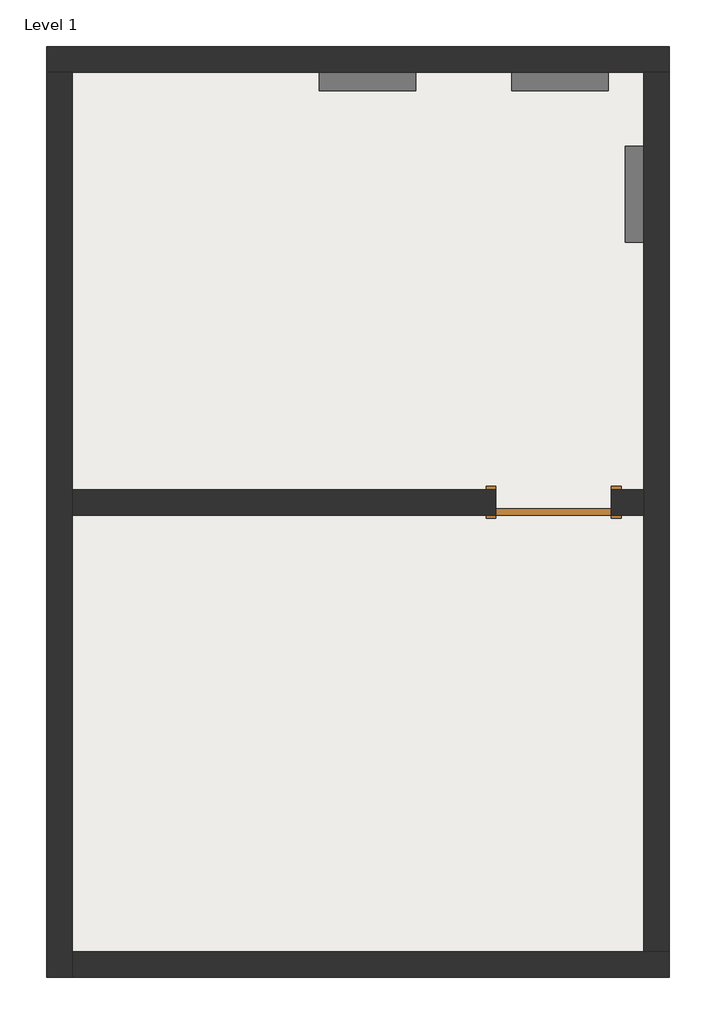
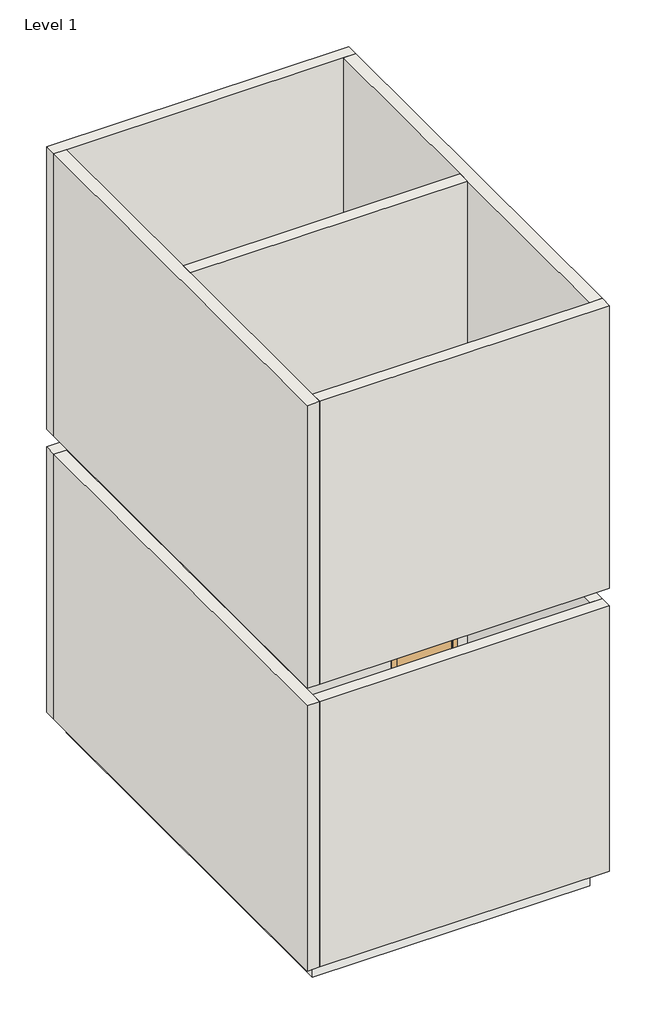
# One storey: 5 walls, 3 proxies, 1 door, 1 slab.
"""IFC4 building model written with IfcOpenShell, lengths in millimetres."""

import ifcopenshell
import ifcopenshell.guid

model = None  # the IFC model being written
_history = None  # IfcOwnerHistory: only IFC2X3 demands one
_inside = {}  # id of a spatial element -> (the spatial element, [elements in it])
_under = {}  # id of a project, library or spatial element -> (it, [spatial elements below it])
_declared = {}  # id of a project -> (the project, [libraries it declares])
_typed = {}  # id of a type object -> (the type object, [elements of that type])
_made_of = {}  # id of a material, layer set ... -> (it, [elements and type objects made of it])


def new_model(schema):
    """Start an empty IFC model of exactly this schema.

    Asked for "IFC4X3", IfcOpenShell would pick the latest addendum, in which some entities
    have other attributes; the version numbers below select the first issue.
    IFC2X3 requires an IfcOwnerHistory on every rooted entity: one is made here for all.
    """
    global model, _history
    if schema == "IFC4X3":
        model = ifcopenshell.file(schema_version=(4, 3, 0, 0))
    else:
        model = ifcopenshell.file(schema=schema)
    _inside.clear()
    _under.clear()
    _declared.clear()
    _typed.clear()
    _made_of.clear()
    _history = None
    if model.schema == "IFC2X3":
        org = make("IfcOrganization", Name="unknown")
        user = make(
            "IfcPersonAndOrganization",
            ThePerson=make("IfcPerson", FamilyName="unknown"),
            TheOrganization=org,
        )
        app = make(
            "IfcApplication",
            ApplicationDeveloper=org,
            Version="unknown",
            ApplicationFullName="unknown",
            ApplicationIdentifier="unknown",
        )
        _history = make(
            "IfcOwnerHistory",
            OwningUser=user,
            OwningApplication=app,
            ChangeAction="ADDED",
            CreationDate=0,
        )
    return model


def make(cls, **values):
    """One entity of the class cls with the attributes given. An attribute that is None is left unset."""
    return model.create_entity(
        cls, **{name: value for name, value in values.items() if value is not None}
    )


def rooted(cls, **values):
    """An entity with a GlobalId (a new one), such as an element, a storey or a relation."""
    return make(cls, GlobalId=ifcopenshell.guid.new(), OwnerHistory=_history, **values)


def si_unit(unit_type, name, prefix=None):
    """IfcSIUnit, for example si_unit("LENGTHUNIT", "METRE", prefix="MILLI")."""
    return make("IfcSIUnit", UnitType=unit_type, Prefix=prefix, Name=name)


def assignment(units):
    """IfcUnitAssignment: the units of a project."""
    return None if units is None else make("IfcUnitAssignment", Units=units)


def point(xyz):
    """IfcCartesianPoint."""
    return None if xyz is None else make("IfcCartesianPoint", Coordinates=xyz)


def direction(xyz):
    """IfcDirection."""
    return None if xyz is None else make("IfcDirection", DirectionRatios=xyz)


def frame(location, z_axis=None, x_axis=None):
    """IfcAxis2Placement3D, a coordinate frame: its origin and axes. An axis left out is left unset."""
    return make(
        "IfcAxis2Placement3D",
        Location=point(location),
        Axis=direction(z_axis),
        RefDirection=direction(x_axis),
    )


def origin():
    """The frame at (0, 0, 0) with its axes left unset."""
    return frame((0.0, 0.0, 0.0))


def origin_with_axes():
    """The frame at (0, 0, 0) with the z axis (0, 0, 1) and the x axis (1, 0, 0) written out."""
    return frame((0.0, 0.0, 0.0), z_axis=(0.0, 0.0, 1.0), x_axis=(1.0, 0.0, 0.0))


def place(relative_to, where):
    """IfcLocalPlacement: puts the frame where relative to a parent placement (None: the world)."""
    return make(
        "IfcLocalPlacement", PlacementRelTo=relative_to, RelativePlacement=where
    )


def context(
    kind, dimensions, precision=None, world=None, true_north=None, identifier=None
):
    """IfcGeometricRepresentationContext, for example the 3D "Model" context."""
    return make(
        "IfcGeometricRepresentationContext",
        ContextIdentifier=identifier,
        ContextType=kind,
        CoordinateSpaceDimension=dimensions,
        Precision=precision,
        WorldCoordinateSystem=world,
        TrueNorth=true_north,
    )


def project(units=None, contexts=None):
    """IfcProject with its units and contexts."""
    return rooted(
        "IfcProject",
        Name="project",
        RepresentationContexts=contexts,
        UnitsInContext=assignment(units),
    )


def spatial(cls, under=None, at=None, **own):
    """A site, building, storey or space (cls), placed at a placement, below another one or the project."""
    s = rooted(cls, ObjectPlacement=at, **own)
    if under is not None:
        _under.setdefault(under.id(), (under, []))[1].append(s)
    return s


def polyline(points):
    """IfcPolyline through the points."""
    return make("IfcPolyline", Points=[point(p) for p in points])


def outline(outer, holes=None, kind="AREA"):
    """IfcArbitraryClosedProfileDef: a profile drawn as a closed curve; with holes, ...WithVoids."""
    if holes is None:
        return make("IfcArbitraryClosedProfileDef", ProfileType=kind, OuterCurve=outer)
    return make(
        "IfcArbitraryProfileDefWithVoids",
        ProfileType=kind,
        OuterCurve=outer,
        InnerCurves=holes,
    )


def extrude(swept, where, along, depth):
    """IfcExtrudedAreaSolid: the profile swept, set in the frame where, extruded along a direction by depth."""
    return make(
        "IfcExtrudedAreaSolid",
        SweptArea=swept,
        Position=where,
        ExtrudedDirection=direction(along),
        Depth=depth,
    )


def faces_of(points, faces, orient=None, outer=None):
    """IfcFace entities. A face is a list of loops; a loop is a list of indices into points, from 0.

    orient and outer hold one flag for each loop. By default every Orientation is true, the
    first loop of a face is its IfcFaceOuterBound and the others are IfcFaceBound.
    """
    made = []
    for i, loops in enumerate(faces):
        bounds = []
        for j, loop in enumerate(loops):
            is_outer = j == 0 if outer is None else outer[i][j]
            bounds.append(
                make(
                    "IfcFaceOuterBound" if is_outer else "IfcFaceBound",
                    Bound=make("IfcPolyLoop", Polygon=[points[k] for k in loop]),
                    Orientation=True if orient is None else orient[i][j],
                )
            )
        made.append(make("IfcFace", Bounds=bounds))
    return made


def faceted_brep(points, faces, orient=None, outer=None, voids=None):
    """IfcFacetedBrep: a solid bounded by flat faces; with voids (closed shells), ...WithVoids."""
    shared = [point(p) for p in points]
    hull = make("IfcClosedShell", CfsFaces=faces_of(shared, faces, orient, outer))
    if voids is None:
        return make("IfcFacetedBrep", Outer=hull)
    return make(
        "IfcFacetedBrepWithVoids",
        Outer=hull,
        Voids=[
            make(cls, CfsFaces=faces_of(shared, fs, o, b)) for cls, fs, o, b in voids
        ],
    )


def shape(context_of_items, identifier, shape_type, items):
    """IfcShapeRepresentation: the items that make up one representation, for example the "Body"."""
    return make(
        "IfcShapeRepresentation",
        ContextOfItems=context_of_items,
        RepresentationIdentifier=identifier,
        RepresentationType=shape_type,
        Items=items,
    )


def source(mapping_origin, context_of_items, identifier, shape_type, items):
    """IfcRepresentationMap: a shape defined once, which mapped items show again and again."""
    return make(
        "IfcRepresentationMap",
        MappingOrigin=mapping_origin,
        MappedRepresentation=shape(context_of_items, identifier, shape_type, items),
    )


def transform(
    local_origin,
    x_axis=None,
    y_axis=None,
    z_axis=None,
    scale=None,
    scale2=None,
    scale3=None,
    uniform=True,
):
    """IfcCartesianTransformationOperator3D, or its non-uniform kind. x_axis, y_axis, z_axis: its Axis1, 2, 3."""
    if uniform:
        return make(
            "IfcCartesianTransformationOperator3D",
            Axis1=direction(x_axis),
            Axis2=direction(y_axis),
            LocalOrigin=point(local_origin),
            Scale=scale,
            Axis3=direction(z_axis),
        )
    return make(
        "IfcCartesianTransformationOperator3DnonUniform",
        Axis1=direction(x_axis),
        Axis2=direction(y_axis),
        LocalOrigin=point(local_origin),
        Scale=scale,
        Axis3=direction(z_axis),
        Scale2=scale2,
        Scale3=scale3,
    )


def mapped(mapping_source, mapping_target):
    """IfcMappedItem: shows the shape of a source again, moved by a transform."""
    return make(
        "IfcMappedItem", MappingSource=mapping_source, MappingTarget=mapping_target
    )


def made_of(thing, what):
    """Note that an element or type object is made of a material, layer set ...; save() writes the relation."""
    if what is not None:
        _made_of.setdefault(what.id(), (what, []))[1].append(thing)
    return thing


def element(
    cls,
    number,
    at=None,
    inside=None,
    cuts=None,
    type_object=None,
    material=None,
    context=None,
    identifier="Body",
    shape_type=None,
    held_by="IfcProductDefinitionShape",
    body=None,
    shapes=None,
    **own,
):
    """One element of the class cls, such as IfcWall. Its Tag is "e" and its number.

    at: its placement. inside: the storey or other place that contains it. cuts: it is an
    opening in that element (IfcRelVoidsElement). A single representation is given by context,
    identifier, shape_type and body (its items); several are given by shapes. held_by: the class
    of the entity that holds the representations. save() writes the other relations.
    """
    e = rooted(cls, Tag="e%d" % number, ObjectPlacement=at, **own)
    if body is not None:
        shapes = [shape(context, identifier, shape_type, body)]
    if shapes is not None:
        e.Representation = make(held_by, Representations=shapes)
    if inside is not None:
        _inside.setdefault(inside.id(), (inside, []))[1].append(e)
    if cuts is not None:
        rooted(
            "IfcRelVoidsElement", RelatingBuildingElement=cuts, RelatedOpeningElement=e
        )
    if type_object is not None:
        _typed.setdefault(type_object.id(), (type_object, []))[1].append(e)
    return made_of(e, material)


def aggregate(whole, parts):
    """IfcRelAggregates: a whole, such as a stair, and the parts it consists of."""
    return rooted("IfcRelAggregates", RelatingObject=whole, RelatedObjects=parts)


def save(model, path):
    """Write the relations noted so far, then the file.

    IfcRelAggregates (storeys below a building ...), IfcRelContainedInSpatialStructure (elements
    in a storey), IfcRelDefinesByType, IfcRelAssociatesMaterial and IfcRelDeclares: one each for
    every whole, place, type object, material and project.
    """
    for whole, parts in _under.values():
        aggregate(whole, parts)
    for where, things in _inside.values():
        rooted(
            "IfcRelContainedInSpatialStructure",
            RelatedElements=things,
            RelatingStructure=where,
        )
    for kind, things in _typed.values():
        rooted("IfcRelDefinesByType", RelatedObjects=things, RelatingType=kind)
    for what, things in _made_of.values():
        rooted("IfcRelAssociatesMaterial", RelatedObjects=things, RelatingMaterial=what)
    for by, libraries in _declared.values():
        rooted("IfcRelDeclares", RelatingContext=by, RelatedDefinitions=libraries)
    model.write(path)


def electrical_panel_electrical_panel_72ee89a3(model_context):
    return source(origin(), model_context, "Body", "SweptSolid", [
        extrude(outline(polyline([(381.0, 1219.2), (381.0, 0.0), (-381.0, 0.0), (-381.0, 1219.2), (381.0, 1219.2)])), origin_with_axes(), (0.0, 0.0, 1.0), 146.05),
    ])


def door_719f80de(model_context):
    return source(origin(), model_context, "Body", "SweptSolid", [
        extrude(outline(polyline([(2209.8, -533.4), (0.0, -533.4), (0.0, -457.2), (2133.6, -457.2), (2133.6, 457.2), (0.0, 457.2), (0.0, 533.4), (2209.8, 533.4), (2209.8, -533.4)])), frame((0.0, -127.0, 0.0), z_axis=(0.0, 1.0, 0.0), x_axis=(0.0, 0.0, 1.0)), (0.0, 0.0, 1.0), 25.4),
        extrude(outline(polyline([(2209.8, 533.4), (2209.8, -533.4), (0.0, -533.4), (0.0, -457.2), (2133.6, -457.2), (2133.6, 457.2), (0.0, 457.2), (0.0, 533.4), (2209.8, 533.4)])), frame((0.0, 101.6, 0.0), z_axis=(0.0, 1.0, 0.0), x_axis=(0.0, 0.0, 1.0)), (0.0, 0.0, 1.0), 25.4),
        extrude(outline(polyline([(457.2, -50.8), (457.2, -101.6), (-457.2, -101.6), (-457.2, -50.8), (457.2, -50.8)])), origin_with_axes(), (0.0, 0.0, 1.0), 2133.6),
    ])


model = new_model("IFC4")

# Units and contexts
model_context = context("Model", 3, world=origin())
ifc_project = project(units=[si_unit("LENGTHUNIT", "METRE", prefix="MILLI")], contexts=[model_context])

# Site, building, storey
site = spatial("IfcSite", under=ifc_project)
building = spatial("IfcBuilding", under=site)
storey = spatial("IfcBuildingStorey", under=building, Name="Level 1", Elevation=0.0)

# Proxies
placement = place(None, origin())
electrical_panel_electrical_panel_shape = electrical_panel_electrical_panel_72ee89a3(model_context)
element("IfcBuildingElementProxy", 1, Name="Electrical Panel : Electrical Panel", ObjectType="Electrical Panel : Electrical Panel", at=placement, inside=storey, context=model_context, shape_type="MappedRepresentation", body=[
    mapped(electrical_panel_electrical_panel_shape, transform((2639.6993945, 7751.7530581, 101.6), x_axis=(0.0, -1.0, 0.0), y_axis=(0.0, 0.0, 1.0), z_axis=(-1.0, 0.0, 0.0))),
])
element("IfcBuildingElementProxy", 2, Name="Electrical Panel : Electrical Panel", ObjectType="Electrical Panel : Electrical Panel", at=placement, inside=storey, context=model_context, shape_type="MappedRepresentation", body=[
    mapped(electrical_panel_electrical_panel_shape, transform((1979.2993945, 8716.9530581, 101.6), x_axis=(1.0, 0.0, 0.0), y_axis=(0.0, 0.0, 1.0), z_axis=(0.0, -1.0, 0.0))),
])
element("IfcBuildingElementProxy", 3, Name="Electrical Panel : Electrical Panel", ObjectType="Electrical Panel : Electrical Panel", at=placement, inside=storey, context=model_context, shape_type="MappedRepresentation", body=[
    mapped(electrical_panel_electrical_panel_shape, transform((455.2993945, 8716.9530581, 101.6), x_axis=(1.0, 0.0, 0.0), y_axis=(0.0, 0.0, 1.0), z_axis=(0.0, -1.0, 0.0))),
])

# Door
door_shape = door_719f80de(model_context)
element("IfcDoor", 4, ObjectType="Single-Flush : 36\" x 84\"", at=placement, inside=storey, context=model_context, shape_type="MappedRepresentation", body=[
    mapped(door_shape, transform((1928.4993945, 5313.3530581, 0.0), x_axis=(1.0, 0.0, 0.0), y_axis=(0.0, 1.0, 0.0), z_axis=(0.0, 0.0, 1.0))),
])

# Slab
element("IfcSlab", 5, ObjectType="Generic - 12\" - Filled", at=placement, inside=storey, context=model_context, shape_type="SweptSolid", body=[
    extrude(outline(polyline([(2639.6993945, 1757.3530581), (-1881.5006055, 1757.3530581), (-1881.5006055, 8716.9530581), (2639.6993945, 8716.9530581), (2639.6993945, 1757.3530581)])), frame((0.0, 0.0, -304.8), z_axis=(0.0, 0.0, 1.0), x_axis=(1.0, 0.0, 0.0)), (0.0, 0.0, 1.0), 304.8),
])

# Walls
element("IfcWall", 6, ObjectType="Generic - 8\"", at=placement, inside=storey, context=model_context, shape_type="Brep", body=[
    faceted_brep([(-2084.7006055, 8716.9530581, 0.0), (-1881.5006055, 8716.9530581, 0.0), (2639.6993945, 8716.9530581, 0.0), (2842.8993945, 8716.9530581, 0.0), (2842.8993945, 8716.9530581, 4572.0), (2639.6993945, 8716.9530581, 4572.0), (-1881.5006055, 8716.9530581, 4572.0), (-2084.7006055, 8716.9530581, 4572.0), (2842.8993945, 8920.1530581, 0.0), (-2084.7006055, 8920.1530581, 0.0), (-2084.7006055, 8920.1530581, 4572.0), (2842.8993945, 8920.1530581, 4572.0)], [[[0, 1, 2, 3, 4, 5, 6, 7]], [[8, 9, 10, 11]], [[3, 2, 1, 0, 9, 8]], [[3, 8, 11, 4]], [[9, 0, 7, 10]], [[7, 6, 5, 4, 11, 10]]]),
    faceted_brep([(2842.8993945, 8716.9530581, 9753.6), (2639.6993945, 8716.9530581, 9753.6), (-1881.5006055, 8716.9530581, 9753.6), (-2084.7006055, 8716.9530581, 9753.6), (-2084.7006055, 8716.9530581, 4876.8), (-1881.5006055, 8716.9530581, 4876.8), (2639.6993945, 8716.9530581, 4876.8), (2842.8993945, 8716.9530581, 4876.8), (-2084.7006055, 8920.1530581, 9753.6), (2842.8993945, 8920.1530581, 9753.6), (2842.8993945, 8920.1530581, 4876.8), (-2084.7006055, 8920.1530581, 4876.8)], [[[0, 1, 2, 3, 4, 5, 6, 7]], [[8, 9, 10, 11]], [[3, 2, 1, 0, 9, 8]], [[9, 0, 7, 10]], [[3, 8, 11, 4]], [[7, 6, 5, 4, 11, 10]]]),
])
element("IfcWall", 7, ObjectType="Generic - 8\"", at=placement, inside=storey, context=model_context, shape_type="Brep", body=[
    faceted_brep([(2639.6993945, 8716.9530581, 0.0), (2639.6993945, 5414.9530581, 0.0), (2639.6993945, 5211.7530581, 0.0), (2639.6993945, 1757.3530581, 0.0), (2639.6993945, 1757.3530581, 4572.0), (2639.6993945, 8716.9530581, 4572.0), (2842.8993945, 1757.3530581, 0.0), (2842.8993945, 8716.9530581, 0.0), (2842.8993945, 8716.9530581, 4572.0), (2842.8993945, 1757.3530581, 4572.0)], [[[0, 1, 2, 3, 4, 5]], [[6, 7, 8, 9]], [[3, 2, 1, 0, 7, 6]], [[7, 0, 5, 8]], [[3, 6, 9, 4]], [[5, 4, 9, 8]]]),
    faceted_brep([(2639.6993945, 1757.3530581, 9753.6), (2639.6993945, 5211.7530581, 9753.6), (2639.6993945, 5414.9530581, 9753.6), (2639.6993945, 8716.9530581, 9753.6), (2639.6993945, 8716.9530581, 4876.8), (2639.6993945, 1757.3530581, 4876.8), (2842.8993945, 8716.9530581, 9753.6), (2842.8993945, 1757.3530581, 9753.6), (2842.8993945, 1757.3530581, 4876.8), (2842.8993945, 8716.9530581, 4876.8)], [[[0, 1, 2, 3, 4, 5]], [[6, 7, 8, 9]], [[3, 2, 1, 0, 7, 6]], [[3, 6, 9, 4]], [[7, 0, 5, 8]], [[5, 4, 9, 8]]]),
])
element("IfcWall", 8, ObjectType="Generic - 8\"", at=placement, inside=storey, context=model_context, shape_type="SweptSolid", body=[
    extrude(outline(polyline([(2133.6, 2385.6993945), (0.0, 2385.6993945), (0.0, 2639.6993945), (9753.6, 2639.6993945), (9753.6, -1881.5006055), (0.0, -1881.5006055), (0.0, 1471.2993945), (2133.6, 1471.2993945), (2133.6, 2385.6993945)])), frame((0.0, 5211.7530581, 0.0), z_axis=(0.0, 1.0, 0.0), x_axis=(0.0, 0.0, 1.0)), (0.0, 0.0, 1.0), 203.2),
])
element("IfcWall", 9, ObjectType="Generic - 8\"", at=placement, inside=storey, context=model_context, shape_type="Brep", body=[
    faceted_brep([(-2084.7006055, 8716.9530581, 0.0), (-2084.7006055, 1554.1530581, 0.0), (-2084.7006055, 1554.1530581, 4572.0), (-2084.7006055, 8716.9530581, 4572.0), (-1881.5006055, 1554.1530581, 0.0), (-1881.5006055, 1757.3530581, 0.0), (-1881.5006055, 5211.7530581, 0.0), (-1881.5006055, 5414.9530581, 0.0), (-1881.5006055, 8716.9530581, 0.0), (-1881.5006055, 8716.9530581, 4572.0), (-1881.5006055, 1554.1530581, 4572.0)], [[[0, 1, 2, 3]], [[4, 5, 6, 7, 8, 9, 10]], [[1, 0, 8, 7, 6, 5, 4]], [[1, 4, 10, 2]], [[8, 0, 3, 9]], [[3, 2, 10, 9]]]),
    faceted_brep([(-2084.7006055, 1554.1530581, 9753.6), (-2084.7006055, 8716.9530581, 9753.6), (-2084.7006055, 8716.9530581, 4876.8), (-2084.7006055, 1554.1530581, 4876.8), (-1881.5006055, 8716.9530581, 9753.6), (-1881.5006055, 5414.9530581, 9753.6), (-1881.5006055, 5211.7530581, 9753.6), (-1881.5006055, 1757.3530581, 9753.6), (-1881.5006055, 1554.1530581, 9753.6), (-1881.5006055, 1554.1530581, 4876.8), (-1881.5006055, 8716.9530581, 4876.8)], [[[0, 1, 2, 3]], [[4, 5, 6, 7, 8, 9, 10]], [[1, 0, 8, 7, 6, 5, 4]], [[8, 0, 3, 9]], [[1, 4, 10, 2]], [[3, 2, 10, 9]]]),
])
element("IfcWall", 10, ObjectType="Generic - 8\"", at=placement, inside=storey, context=model_context, shape_type="Brep", body=[
    faceted_brep([(-1881.5006055, 1554.1530581, 0.0), (2842.8993945, 1554.1530581, 0.0), (2842.8993945, 1554.1530581, 4572.0), (-1881.5006055, 1554.1530581, 4572.0), (2842.8993945, 1757.3530581, 0.0), (2639.6993945, 1757.3530581, 0.0), (-1881.5006055, 1757.3530581, 0.0), (-1881.5006055, 1757.3530581, 4572.0), (2639.6993945, 1757.3530581, 4572.0), (2842.8993945, 1757.3530581, 4572.0)], [[[0, 1, 2, 3]], [[4, 5, 6, 7, 8, 9]], [[1, 0, 6, 5, 4]], [[6, 0, 3, 7]], [[1, 4, 9, 2]], [[3, 2, 9, 8, 7]]]),
    faceted_brep([(2842.8993945, 1554.1530581, 9753.6), (-1881.5006055, 1554.1530581, 9753.6), (-1881.5006055, 1554.1530581, 4876.8), (2842.8993945, 1554.1530581, 4876.8), (-1881.5006055, 1757.3530581, 9753.6), (2639.6993945, 1757.3530581, 9753.6), (2842.8993945, 1757.3530581, 9753.6), (2842.8993945, 1757.3530581, 4876.8), (2639.6993945, 1757.3530581, 4876.8), (-1881.5006055, 1757.3530581, 4876.8)], [[[0, 1, 2, 3]], [[4, 5, 6, 7, 8, 9]], [[1, 0, 6, 5, 4]], [[1, 4, 9, 2]], [[6, 0, 3, 7]], [[3, 2, 9, 8, 7]]]),
])

save(model, "model.ifc")
